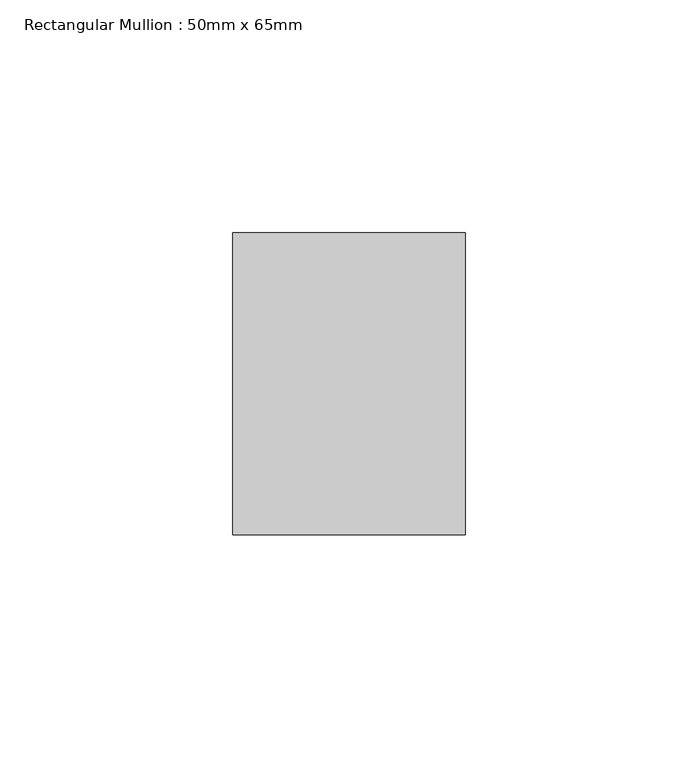
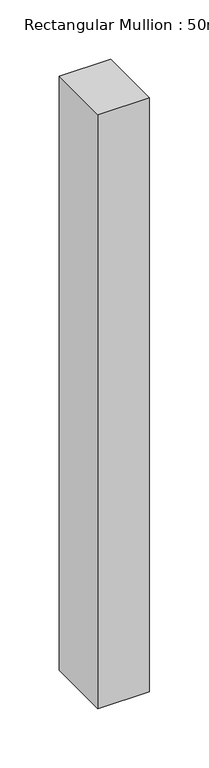
"""IFC4 building model written with IfcOpenShell, lengths in millimetres: member geometry, Rectangular Mullion : 50mm x 65mm."""

from ifc_helpers import new_model, si_unit, frame, origin, place, context, project, spatial, polyline, outline, extrude, source, transform, mapped, element, save


def rectangular_mullion_50mm_x_65mm_e9879b0a(model_context):
    return source(origin(), model_context, "Body", "SweptSolid", [
        extrude(outline(polyline([(25.0, 32.5), (25.0, -32.5), (-25.0, -32.5), (-25.0, 32.5), (25.0, 32.5)])), frame((0.0, 0.0, -610.7646188), z_axis=(0.0, 0.0, 1.0), x_axis=(1.0, 0.0, 0.0)), (0.0, 0.0, 1.0), 610.7646188),
    ])


if __name__ == "__main__":
    model = new_model("IFC4")
    model_context = context("Model", 3, world=origin())
    ifc_project = project(units=[si_unit("LENGTHUNIT", "METRE", prefix="MILLI")], contexts=[model_context])
    site = spatial("IfcSite", under=ifc_project)
    building = spatial("IfcBuilding", under=site)
    placement = place(None, origin())
    rectangular_mullion_50mm_x_65mm_shape = rectangular_mullion_50mm_x_65mm_e9879b0a(model_context)
    element("IfcMember", 1, ObjectType="Rectangular Mullion : 50mm x 65mm", at=placement, inside=building, context=model_context, shape_type="MappedRepresentation", body=[
        mapped(rectangular_mullion_50mm_x_65mm_shape, transform((0.0, 0.0, 0.0), x_axis=(1.0, 0.0, 0.0), y_axis=(0.0, 1.0, 0.0), z_axis=(0.0, 0.0, 1.0))),
    ])
    save(model, "model.ifc")
